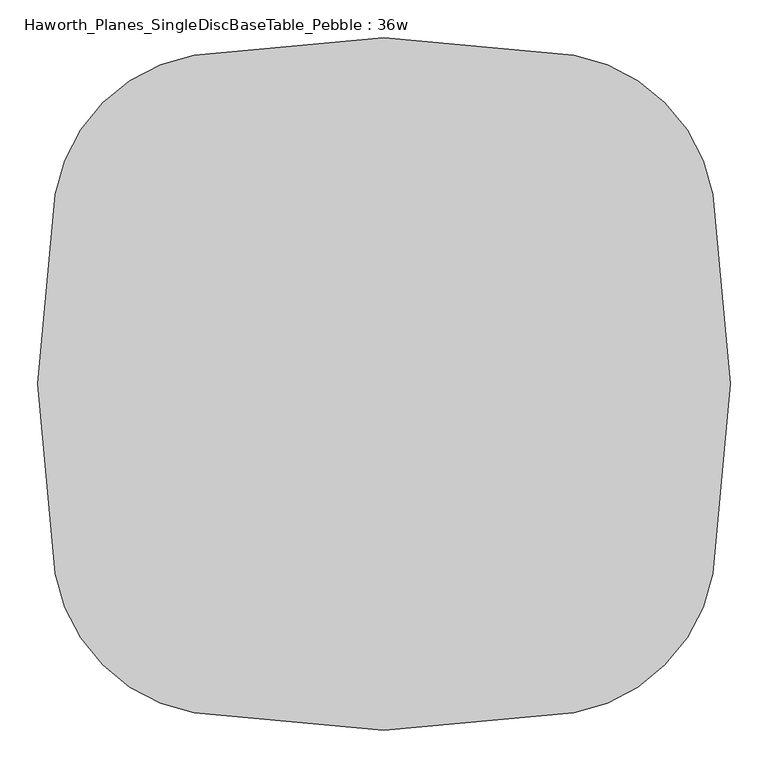
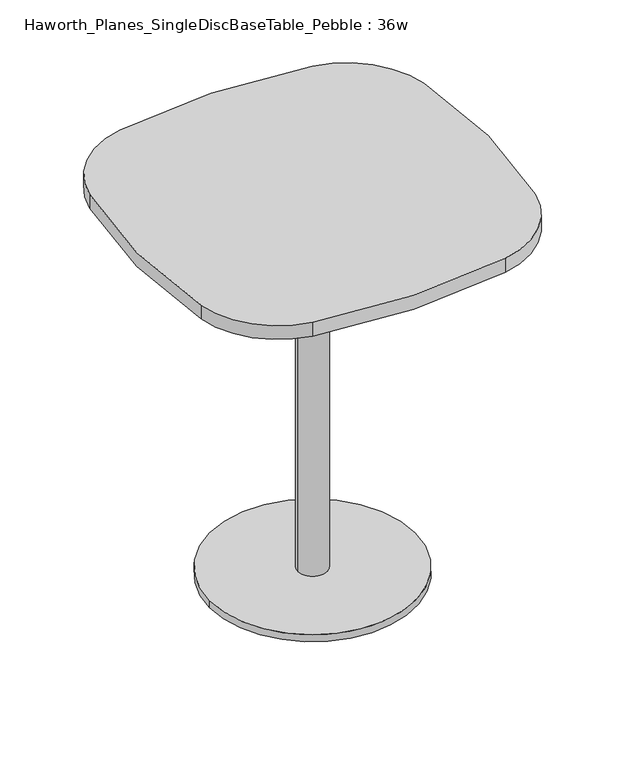
"""IFC4 building model written with IfcOpenShell, lengths in millimetres: furniture geometry, Haworth_Planes_SingleDiscBaseTable_Pebble : 36w."""

from ifc_helpers import new_model, si_unit, point, frame, frame_2d, origin, origin_with_axes, origin_2d, place, context, project, spatial, polyline, circle_curve, trimmed, segment, composite_curve, outline, extrude, source, transform, mapped, element, save


def haworth_planes_singlediscbasetable_pebble_36w_5a836724(model_context):
    return source(origin(), model_context, "Body", "SweptSolid", [
        extrude(outline(polyline([(136.525, 136.525), (136.525, -136.525), (-136.525, -136.525), (-136.525, 136.525), (136.525, 136.525)])), frame((0.0, 0.0, 996.95), z_axis=(0.0, 0.0, 1.0), x_axis=(1.0, 0.0, 0.0)), (0.0, 0.0, 1.0), 6.35),
        extrude(outline(composite_curve([segment(trimmed(circle_curve(frame_2d((-939.8, 0.0)), 1397.0), [point((434.5292545, 250.6553415))], [point((434.5292545, -250.6553415))], False, "CARTESIAN"), True, "CONTINUOUS"), segment(trimmed(circle_curve(frame_2d((209.6390129, -209.6390129)), 228.6), [point((434.5292545, -250.6553415))], [point((250.6553415, -434.5292545))], False, "CARTESIAN"), True, "CONTINUOUS"), segment(trimmed(circle_curve(frame_2d((0.0, 939.8)), 1397.0), [point((250.6553415, -434.5292545))], [point((-250.6553415, -434.5292545))], False, "CARTESIAN"), True, "CONTINUOUS"), segment(trimmed(circle_curve(frame_2d((-209.6390129, -209.6390129)), 228.6), [point((-250.6553415, -434.5292545))], [point((-434.5292545, -250.6553415))], False, "CARTESIAN"), True, "CONTINUOUS"), segment(trimmed(circle_curve(frame_2d((939.8, 0.0)), 1397.0), [point((-434.5292545, -250.6553415))], [point((-434.5292545, 250.6553415))], False, "CARTESIAN"), True, "CONTINUOUS"), segment(trimmed(circle_curve(frame_2d((-209.6390129, 209.6390129)), 228.6), [point((-434.5292545, 250.6553415))], [point((-250.6553415, 434.5292545))], False, "CARTESIAN"), True, "CONTINUOUS"), segment(trimmed(circle_curve(frame_2d((0.0, -939.8)), 1397.0), [point((-250.6553415, 434.5292545))], [point((250.6553415, 434.5292545))], False, "CARTESIAN"), True, "CONTINUOUS"), segment(trimmed(circle_curve(frame_2d((209.6390129, 209.6390129)), 228.6), [point((250.6553415, 434.5292545))], [point((434.5292545, 250.6553415))], False, "CARTESIAN"), True, "CONTINUOUS")], self_intersect=False)), frame((0.0, 0.0, 1003.3), z_axis=(0.0, 0.0, 1.0), x_axis=(1.0, 0.0, 0.0)), (0.0, 0.0, 1.0), 38.1),
        extrude(outline(composite_curve([segment(trimmed(circle_curve(origin_2d(), 266.7), [point((-266.7, 0.0))], [point((266.7, 0.0))], False, "CARTESIAN"), True, "CONTINUOUS"), segment(trimmed(circle_curve(origin_2d(), 266.7), [point((266.7, 0.0))], [point((-266.7, 0.0))], False, "CARTESIAN"), True, "CONTINUOUS")], self_intersect=False)), origin_with_axes(), (0.0, 0.0, 1.0), 19.05),
        extrude(outline(composite_curve([segment(trimmed(circle_curve(origin_2d(), 38.1), [point((-38.1, 0.0))], [point((38.1, 0.0))], False, "CARTESIAN"), True, "CONTINUOUS"), segment(trimmed(circle_curve(origin_2d(), 38.1), [point((38.1, 0.0))], [point((-38.1, 0.0))], False, "CARTESIAN"), True, "CONTINUOUS")], self_intersect=False)), frame((0.0, 0.0, 19.05), z_axis=(0.0, 0.0, 1.0), x_axis=(1.0, 0.0, 0.0)), (0.0, 0.0, 1.0), 984.25),
    ])


if __name__ == "__main__":
    model = new_model("IFC4")
    model_context = context("Model", 3, world=origin())
    ifc_project = project(units=[si_unit("LENGTHUNIT", "METRE", prefix="MILLI")], contexts=[model_context])
    site = spatial("IfcSite", under=ifc_project)
    building = spatial("IfcBuilding", under=site)
    placement = place(None, origin())
    haworth_planes_singlediscbasetable_pebble_36w_shape = haworth_planes_singlediscbasetable_pebble_36w_5a836724(model_context)
    element("IfcFurniture", 1, ObjectType="Haworth_Planes_SingleDiscBaseTable_Pebble : 36w", at=placement, inside=building, context=model_context, shape_type="MappedRepresentation", body=[
        mapped(haworth_planes_singlediscbasetable_pebble_36w_shape, transform((0.0, 0.0, 0.0), x_axis=(1.0, 0.0, 0.0), y_axis=(0.0, 1.0, 0.0), z_axis=(0.0, 0.0, 1.0))),
    ])
    save(model, "model.ifc")
